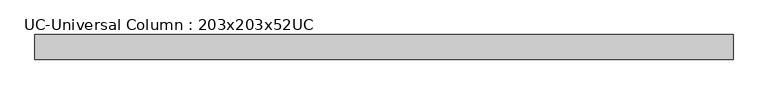
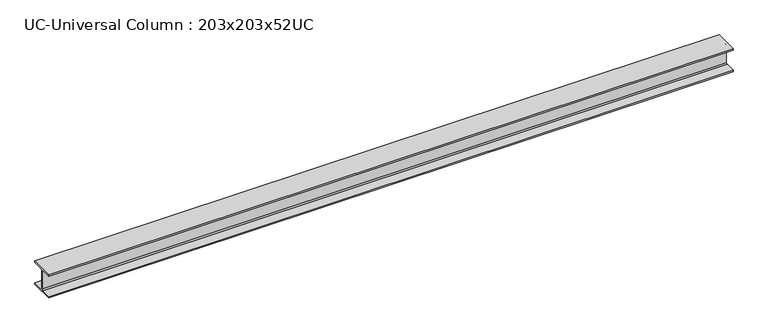
"""IFC4 building model written with IfcOpenShell, lengths in millimetres: beam geometry, UC-Universal Column : 203x203x52UC."""

from ifc_helpers import new_model, si_unit, point, frame, frame_2d, origin, place, context, project, spatial, polyline, circle_curve, trimmed, segment, composite_curve, outline, extrude, source, transform, mapped, element, save


def uc_universal_column_203x203x52uc_d7889b37(model_context):
    return source(origin(), model_context, "Body", "SweptSolid", [
        extrude(outline(composite_curve([segment(polyline([(102.15, -90.6), (102.15, -103.1), (-102.15, -103.1), (-102.15, -90.6), (-14.15, -90.6)]), True, "CONTINUOUS"), segment(trimmed(circle_curve(frame_2d((-14.15, -80.4)), 10.2), [point((-14.15, -90.6))], [point((-3.95, -80.4))], True, "CARTESIAN"), True, "CONTINUOUS"), segment(polyline([(-3.95, -80.4), (-3.95, 80.4)]), True, "CONTINUOUS"), segment(trimmed(circle_curve(frame_2d((-14.15, 80.4)), 10.2), [point((-3.95, 80.4))], [point((-14.15, 90.6))], True, "CARTESIAN"), True, "CONTINUOUS"), segment(polyline([(-14.15, 90.6), (-102.15, 90.6), (-102.15, 103.1), (102.15, 103.1), (102.15, 90.6), (14.15, 90.6)]), True, "CONTINUOUS"), segment(trimmed(circle_curve(frame_2d((14.15, 80.4)), 10.2), [point((14.15, 90.6))], [point((3.95, 80.4))], True, "CARTESIAN"), True, "CONTINUOUS"), segment(polyline([(3.95, 80.4), (3.95, -80.4)]), True, "CONTINUOUS"), segment(trimmed(circle_curve(frame_2d((14.15, -80.4)), 10.2), [point((3.95, -80.4))], [point((14.15, -90.6))], True, "CARTESIAN"), True, "CONTINUOUS"), segment(polyline([(14.15, -90.6), (102.15, -90.6)]), True, "CONTINUOUS")], self_intersect=False)), frame((-3048.0, 0.0, 0.0), z_axis=(1.0, 0.0, 0.0), x_axis=(0.0, 1.0, 0.0)), (0.0, 0.0, 1.0), 5782.0),
    ])


if __name__ == "__main__":
    model = new_model("IFC4")
    model_context = context("Model", 3, world=origin())
    ifc_project = project(units=[si_unit("LENGTHUNIT", "METRE", prefix="MILLI")], contexts=[model_context])
    site = spatial("IfcSite", under=ifc_project)
    building = spatial("IfcBuilding", under=site)
    placement = place(None, origin())
    uc_universal_column_203x203x52uc_shape = uc_universal_column_203x203x52uc_d7889b37(model_context)
    element("IfcBeam", 1, ObjectType="UC-Universal Column : 203x203x52UC", at=placement, inside=building, context=model_context, shape_type="MappedRepresentation", body=[
        mapped(uc_universal_column_203x203x52uc_shape, transform((0.0, 0.0, 0.0), x_axis=(1.0, 0.0, 0.0), y_axis=(0.0, 1.0, 0.0), z_axis=(0.0, 0.0, 1.0))),
    ])
    save(model, "model.ifc")
